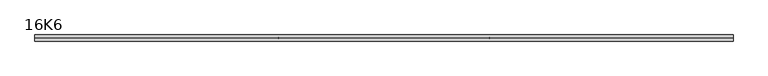
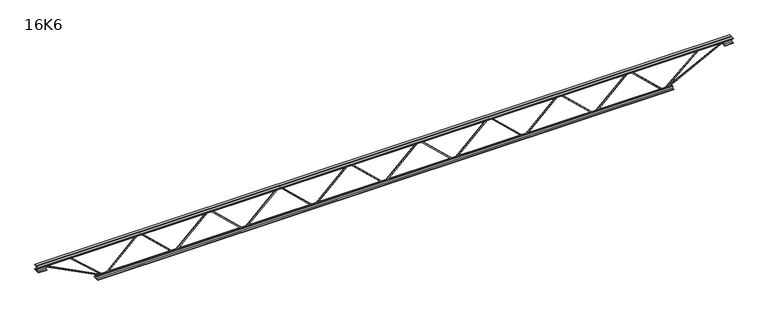
"""IFC4 building model written with IfcOpenShell, lengths in millimetres: beam geometry, 16K6."""

from ifc_helpers import new_model, si_unit, frame, origin, place, context, project, spatial, polyline, outline, extrude, source, transform, mapped, element, save


def beam_16k6_c220c457(model_context):
    return source(origin(), model_context, "Body", "SweptSolid", [
        extrude(outline(polyline([(-191.9, 1684.1071429), (-201.4, 1684.1071429), (-201.4, 1689.1767505), (191.9, 2103.7642505), (191.9, 2106.3250353), (-201.4, 2520.9125353), (-201.4, 2525.9821429), (-191.9, 2525.9821429), (-191.9, 2524.7017505), (201.4, 2110.1142505), (201.4, 2099.9750353), (-191.9, 1685.3875353), (-191.9, 1684.1071429)])), frame((0.0, -4.75, 0.0), z_axis=(0.0, 1.0, 0.0), x_axis=(0.0, 0.0, 1.0)), (0.0, 0.0, 1.0), 9.5),
        extrude(outline(polyline([(-191.9, 842.0892857), (-201.4, 842.0892857), (-201.4, 847.1588933), (191.9, 1261.7463933), (191.9, 1264.3071781), (-201.4, 1678.8946781), (-201.4, 1683.9642857), (-191.9, 1683.9642857), (-191.9, 1682.6838933), (201.4, 1268.0963933), (201.4, 1257.9571781), (-191.9, 843.3696781), (-191.9, 842.0892857)])), frame((0.0, -4.75, 0.0), z_axis=(0.0, 1.0, 0.0), x_axis=(0.0, 0.0, 1.0)), (0.0, 0.0, 1.0), 9.5),
        extrude(outline(polyline([(-191.9, 0.0714286), (-201.4, 0.0714286), (-201.4, 5.1410362), (191.9, 419.7285362), (191.9, 422.289321), (-201.4, 836.876821), (-201.4, 841.9464286), (-191.9, 841.9464286), (-191.9, 840.6660362), (201.4, 426.0785362), (201.4, 415.939321), (-191.9, 1.351821), (-191.9, 0.0714286)])), frame((0.0, -4.75, 0.0), z_axis=(0.0, 1.0, 0.0), x_axis=(0.0, 0.0, 1.0)), (0.0, 0.0, 1.0), 9.5),
        extrude(outline(polyline([(-191.9, -841.9464286), (-201.4, -841.9464286), (-201.4, -836.876821), (191.9, -422.289321), (191.9, -419.7285362), (-201.4, -5.1410362), (-201.4, -0.0714286), (-191.9, -0.0714286), (-191.9, -1.351821), (201.4, -415.939321), (201.4, -426.0785362), (-191.9, -840.6660362), (-191.9, -841.9464286)])), frame((0.0, -4.75, 0.0), z_axis=(0.0, 1.0, 0.0), x_axis=(0.0, 0.0, 1.0)), (0.0, 0.0, 1.0), 9.5),
        extrude(outline(polyline([(-191.9, -1683.9642857), (-201.4, -1683.9642857), (-201.4, -1678.8946781), (191.9, -1264.3071781), (191.9, -1261.7463933), (-201.4, -847.1588933), (-201.4, -842.0892857), (-191.9, -842.0892857), (-191.9, -843.3696781), (201.4, -1257.9571781), (201.4, -1268.0963933), (-191.9, -1682.6838933), (-191.9, -1683.9642857)])), frame((0.0, -4.75, 0.0), z_axis=(0.0, 1.0, 0.0), x_axis=(0.0, 0.0, 1.0)), (0.0, 0.0, 1.0), 9.5),
        extrude(outline(polyline([(-191.9, -2525.9821429), (-201.4, -2525.9821429), (-201.4, -2520.9125353), (191.9, -2106.3250353), (191.9, -2103.7642505), (-201.4, -1689.1767505), (-201.4, -1684.1071429), (-191.9, -1684.1071429), (-191.9, -1685.3875353), (201.4, -2099.9750353), (201.4, -2110.1142505), (-191.9, -2524.7017505), (-191.9, -2525.9821429)])), frame((0.0, -4.75, 0.0), z_axis=(0.0, 1.0, 0.0), x_axis=(0.0, 0.0, 1.0)), (0.0, 0.0, 1.0), 9.5),
        extrude(outline(polyline([(-191.9, 2526.125), (-201.4, 2526.125), (-201.4, 2531.1946076), (191.9, 2945.7821076), (191.9, 2948.3428924), (-201.4, 3362.9303924), (-201.4, 3368.0), (-191.9, 3368.0), (-191.9, 3366.7196076), (201.4, 2952.1321076), (201.4, 2941.9928924), (-191.9, 2527.4053924), (-191.9, 2526.125)])), frame((0.0, -4.75, 0.0), z_axis=(0.0, 1.0, 0.0), x_axis=(0.0, 0.0, 1.0)), (0.0, 0.0, 1.0), 9.5),
        extrude(outline(polyline([(-191.9, -3368.0), (-201.4, -3368.0), (-201.4, -3362.9303924), (191.9, -2948.3428924), (191.9, -2945.7821076), (-201.4, -2531.1946076), (-201.4, -2526.125), (-191.9, -2526.125), (-191.9, -2527.4053924), (201.4, -2941.9928924), (201.4, -2952.1321076), (-191.9, -3366.7196076), (-191.9, -3368.0)])), frame((0.0, -4.75, 0.0), z_axis=(0.0, 1.0, 0.0), x_axis=(0.0, 0.0, 1.0)), (0.0, 0.0, 1.0), 9.5),
        extrude(outline(polyline([(4.75, 203.0), (36.75, 203.0), (36.75, 196.5), (11.25, 196.5), (11.25, 171.0), (4.75, 171.0), (4.75, 203.0)])), frame((-4180.0, 0.0, 0.0), z_axis=(1.0, 0.0, 0.0), x_axis=(0.0, 1.0, 0.0)), (0.0, 0.0, 1.0), 8360.0),
        extrude(outline(polyline([(-4.75, 203.0), (-4.75, 171.0), (-11.25, 171.0), (-11.25, 196.5), (-36.75, 196.5), (-36.75, 203.0), (-4.75, 203.0)])), frame((-4180.0, 0.0, 0.0), z_axis=(1.0, 0.0, 0.0), x_axis=(0.0, 1.0, 0.0)), (0.0, 0.0, 1.0), 8360.0),
        extrude(outline(polyline([(-4.75, 139.5), (-36.75, 139.5), (-36.75, 146.0), (-11.25, 146.0), (-11.25, 171.0), (-4.75, 171.0), (-4.75, 139.5)])), frame((-4180.0, 0.0, 0.0), z_axis=(1.0, 0.0, 0.0), x_axis=(0.0, 1.0, 0.0)), (0.0, 0.0, 1.0), 100.0),
        extrude(outline(polyline([(36.75, 139.5), (4.75, 139.5), (4.75, 171.0), (11.25, 171.0), (11.25, 146.0), (36.75, 146.0), (36.75, 139.5)])), frame((-4180.0, 0.0, 0.0), z_axis=(1.0, 0.0, 0.0), x_axis=(0.0, 1.0, 0.0)), (0.0, 0.0, 1.0), 100.0),
        extrude(outline(polyline([(4.75, 139.5), (4.75, 171.0), (11.25, 171.0), (11.25, 146.0), (36.75, 146.0), (36.75, 139.5), (4.75, 139.5)])), frame((4080.0, 0.0, 0.0), z_axis=(1.0, 0.0, 0.0), x_axis=(0.0, 1.0, 0.0)), (0.0, 0.0, 1.0), 100.0),
        extrude(outline(polyline([(-4.75, 139.5), (-36.75, 139.5), (-36.75, 146.0), (-11.25, 146.0), (-11.25, 171.0), (-4.75, 171.0), (-4.75, 139.5)])), frame((4080.0, 0.0, 0.0), z_axis=(1.0, 0.0, 0.0), x_axis=(0.0, 1.0, 0.0)), (0.0, 0.0, 1.0), 100.0),
        extrude(outline(polyline([(4.75, -203.0), (4.75, -171.0), (11.25, -171.0), (11.25, -196.5), (36.75, -196.5), (36.75, -203.0), (4.75, -203.0)])), frame((-3468.0, 0.0, 0.0), z_axis=(1.0, 0.0, 0.0), x_axis=(0.0, 1.0, 0.0)), (0.0, 0.0, 1.0), 6936.0),
        extrude(outline(polyline([(-4.75, -203.0), (-36.75, -203.0), (-36.75, -196.5), (-11.25, -196.5), (-11.25, -171.0), (-4.75, -171.0), (-4.75, -203.0)])), frame((-3468.0, 0.0, 0.0), z_axis=(1.0, 0.0, 0.0), x_axis=(0.0, 1.0, 0.0)), (0.0, 0.0, 1.0), 6936.0),
        extrude(outline(polyline([(-200.8705467, -3370.1793315), (-192.4294533, -3365.8206685), (175.75, -4078.8460208), (175.75, -4180.0), (166.25, -4180.0), (166.25, -4081.1539792), (-200.8705467, -3370.1793315)])), frame((0.0, -4.75, 0.0), z_axis=(0.0, 1.0, 0.0), x_axis=(0.0, 0.0, 1.0)), (0.0, 0.0, 1.0), 9.5),
        extrude(outline(polyline([(188.7, -3808.8946429), (179.2, -3808.8946429), (179.2, -3798.0005277), (-200.2002661, -3371.1556474), (-193.0997339, -3364.8443526), (188.7, -3794.388758), (188.7, -3808.8946429)])), frame((0.0, -4.75, 0.0), z_axis=(0.0, 1.0, 0.0), x_axis=(0.0, 0.0, 1.0)), (0.0, 0.0, 1.0), 9.5),
        extrude(outline(polyline([(0.0, -9.5), (0.0, 0.0), (801.3179909, 0.0), (801.3179909, -9.5), (0.0, -9.5)])), frame((4082.1793315, -4.75, 166.7794533), z_axis=(-0.4588066213244954, 0.0, 0.8885361468329812), x_axis=(-0.8885361468329812, 0.0, -0.4588066213244954)), (0.0, 0.0, 1.0), 9.5),
        extrude(outline(polyline([(0.0, -9.5), (0.0, 0.0), (586.7735063, 0.0), (586.7735063, -9.5), (0.0, -9.5)])), frame((3806.6355951, -4.75, 193.124967), z_axis=(-0.6702756613673959, 0.0, 0.7421122137375856), x_axis=(-0.7421122137375856, 0.0, -0.6702756613673959)), (0.0, 0.0, 1.0), 9.5),
    ])


if __name__ == "__main__":
    model = new_model("IFC4")
    model_context = context("Model", 3, world=origin())
    ifc_project = project(units=[si_unit("LENGTHUNIT", "METRE", prefix="MILLI")], contexts=[model_context])
    site = spatial("IfcSite", under=ifc_project)
    building = spatial("IfcBuilding", under=site)
    placement = place(None, origin())
    beam_16k6_shape = beam_16k6_c220c457(model_context)
    element("IfcBeam", 1, ObjectType="16K6", at=placement, inside=building, context=model_context, shape_type="MappedRepresentation", body=[
        mapped(beam_16k6_shape, transform((0.0, 0.0, 0.0), x_axis=(1.0, 0.0, 0.0), y_axis=(0.0, 1.0, 0.0), z_axis=(0.0, 0.0, 1.0))),
    ])
    save(model, "model.ifc")
